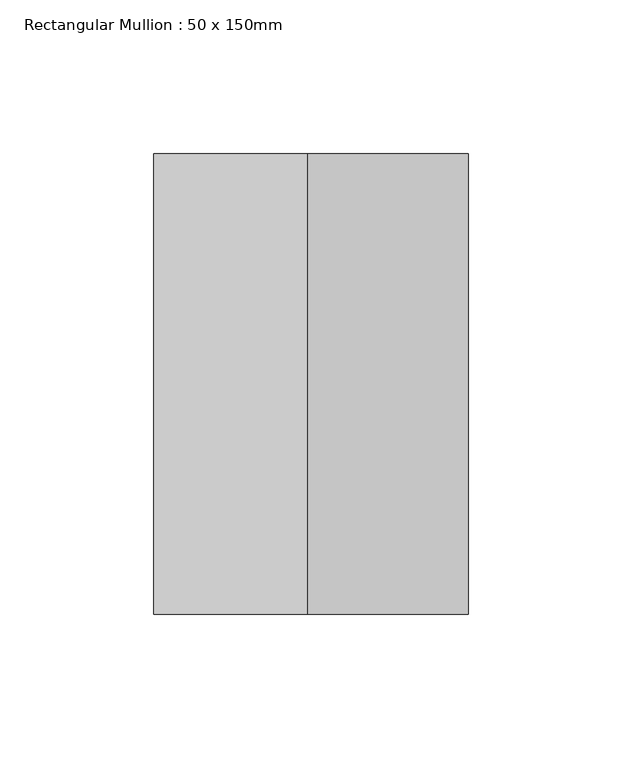
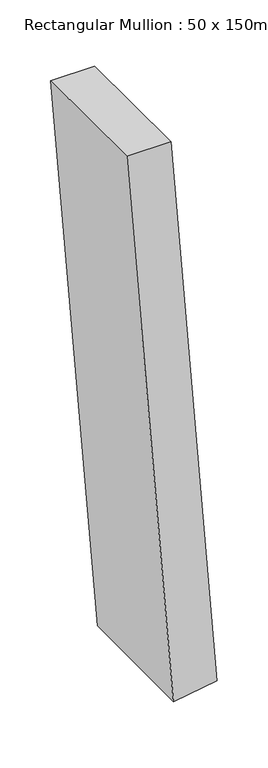
"""IFC4 building model written with IfcOpenShell, lengths in millimetres: member geometry, Rectangular Mullion : 50 x 150mm."""

from ifc_helpers import new_model, si_unit, point, frame, frame_2d, origin, place, context, project, spatial, polyline, circle_curve, trimmed, segment, composite_curve, outline, extrude, source, transform, mapped, element, save


def rectangular_mullion_50_x_150mm_5e5a5699(model_context):
    return source(origin(), model_context, "Body", "SweptSolid", [
        extrude(outline(composite_curve([segment(trimmed(circle_curve(frame_2d((0.0, 4238.8725831)), 4238.8725831), [point((-665.3096975, 52.5372188))], [point((0.0, 0.0))], True, "CARTESIAN"), True, "CONTINUOUS"), segment(polyline([(0.0, 0.0), (0.0, -50.0)]), True, "CONTINUOUS"), segment(trimmed(circle_curve(frame_2d((0.0, 4238.8725831)), 4288.8725831), [point((0.0, -50.0))], [point((-673.1574174, 3.1569263))], False, "CARTESIAN"), True, "CONTINUOUS"), segment(polyline([(-673.1574174, 3.1569263), (-665.3096975, 52.5372188)]), True, "CONTINUOUS")], self_intersect=False)), frame((0.0, -75.0, 0.0), z_axis=(0.0, 1.0, 0.0), x_axis=(0.0, 0.0, 1.0)), (0.0, 0.0, 1.0), 150.0),
    ])


if __name__ == "__main__":
    model = new_model("IFC4")
    model_context = context("Model", 3, world=origin())
    ifc_project = project(units=[si_unit("LENGTHUNIT", "METRE", prefix="MILLI")], contexts=[model_context])
    site = spatial("IfcSite", under=ifc_project)
    building = spatial("IfcBuilding", under=site)
    placement = place(None, origin())
    rectangular_mullion_50_x_150mm_shape = rectangular_mullion_50_x_150mm_5e5a5699(model_context)
    element("IfcMember", 1, ObjectType="Rectangular Mullion : 50 x 150mm", at=placement, inside=building, context=model_context, shape_type="MappedRepresentation", body=[
        mapped(rectangular_mullion_50_x_150mm_shape, transform((0.0, 0.0, 0.0), x_axis=(1.0, 0.0, 0.0), y_axis=(0.0, 1.0, 0.0), z_axis=(0.0, 0.0, 1.0))),
    ])
    save(model, "model.ifc")
